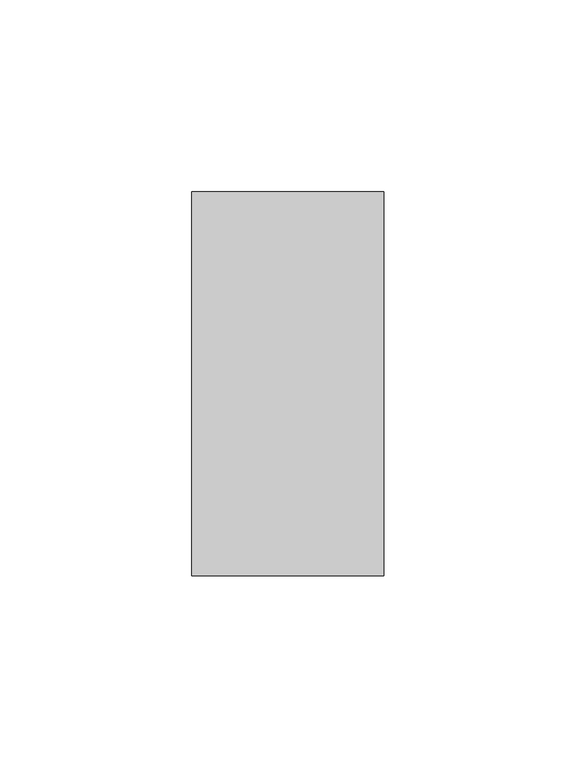
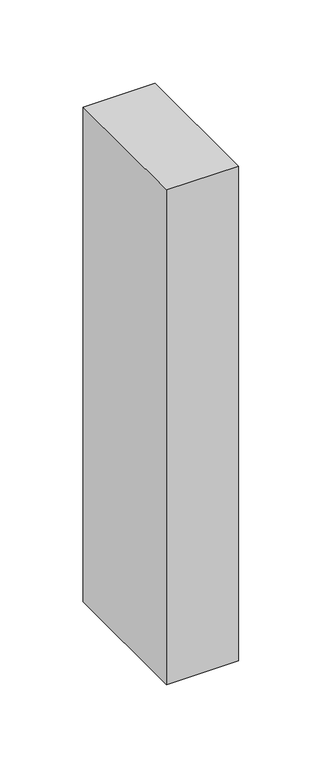
"""IFC4 building model written with IfcOpenShell, lengths in millimetres: member geometry."""

from ifc_helpers import new_model, si_unit, frame, origin, place, context, project, spatial, polyline, outline, extrude, source, transform, mapped, element, save


def member_ae52fef3(model_context):
    return source(origin(), model_context, "Body", "SweptSolid", [
        extrude(outline(polyline([(0.0, 50.0), (0.0, -50.0), (-50.0, -50.0), (-50.0, 50.0), (0.0, 50.0)])), frame((0.0, 0.0, -362.5), z_axis=(0.0, 0.0, 1.0), x_axis=(1.0, 0.0, 0.0)), (0.0, 0.0, 1.0), 362.5),
    ])


if __name__ == "__main__":
    model = new_model("IFC4")
    model_context = context("Model", 3, world=origin())
    ifc_project = project(units=[si_unit("LENGTHUNIT", "METRE", prefix="MILLI")], contexts=[model_context])
    site = spatial("IfcSite", under=ifc_project)
    building = spatial("IfcBuilding", under=site)
    placement = place(None, origin())
    member_shape = member_ae52fef3(model_context)
    element("IfcMember", 1, at=placement, inside=building, context=model_context, shape_type="MappedRepresentation", body=[
        mapped(member_shape, transform((0.0, 0.0, 0.0), x_axis=(1.0, 0.0, 0.0), y_axis=(0.0, 1.0, 0.0), z_axis=(0.0, 0.0, 1.0))),
    ])
    save(model, "model.ifc")
